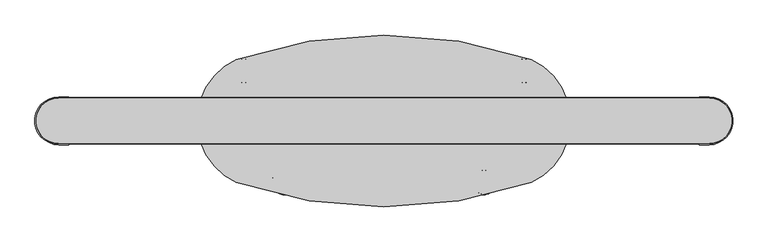
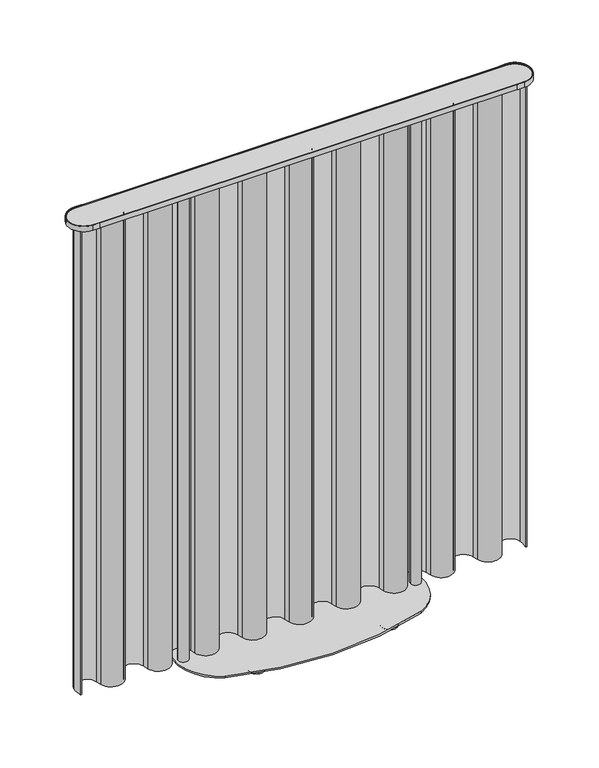
"""IFC4 building model written with IfcOpenShell, lengths in millimetres: furniture geometry."""

from ifc_helpers import new_model, si_unit, point, frame, frame_2d, origin, place, context, project, spatial, polyline, circle_curve, ellipse_curve, trimmed, segment, composite_curve, outline, extrude, source, transform, mapped, element, save
from ifc_brep_helpers import plane_surface, revolved_surface, advanced_brep


def furniture_489c993e(model_context):
    return source(origin(), model_context, "Body", "SolidModel", [
        advanced_brep(
        [(223.6676041, -153.3847212, 0.0006183), (276.0344658, -153.3847212, 0.0006183), (249.851035, -153.3847212, 0.0006183), (249.851035, -153.3847212, 6.17), (280.8142517, -153.3847212, 6.17), (218.8878183, -153.3847212, 6.17)],
        [
            (0, 1, circle_curve(frame((249.851035, -153.3847212, 0.0006183), z_axis=(0.0, 0.0, -1.0), x_axis=(1.0, 0.0, 0.0)), 26.1834309)),
            (1, 2),
            (2, 0),
            (1, 0, circle_curve(frame((249.851035, -153.3847212, 0.0006183), z_axis=(0.0, 0.0, -1.0), x_axis=(1.0, 0.0, 0.0)), 26.1834309)),
            (3, 4),
            (4, 5, circle_curve(frame((249.851035, -153.3847212, 6.17), z_axis=(0.0, 0.0, 1.0), x_axis=(1.0, 0.0, 0.0)), 30.9632167)),
            (5, 3),
            (5, 4, circle_curve(frame((249.851035, -153.3847212, 6.17), z_axis=(0.0, 0.0, 1.0), x_axis=(1.0, 0.0, 0.0)), 30.9632167)),
            (4, 1, circle_curve(frame((276.0344658, -153.3847212, 4.936901), z_axis=(0.0, 1.0, 0.0), x_axis=(-1.0, 0.0, 0.0)), 4.9362826)),
            (0, 5, circle_curve(frame((223.6676041, -153.3847212, 4.936901), z_axis=(0.0, 1.0, 0.0), x_axis=(1.0, 0.0, 0.0)), 4.9362826)),
        ],
        [
            plane_surface(frame((249.851035, -153.3847212, 0.0006183), z_axis=(0.0, 0.0, -1.0), x_axis=(1.0, 0.0, 0.0))),
            plane_surface(frame((249.851035, -153.3847212, 6.17), z_axis=(0.0, 0.0, 1.0), x_axis=(1.0, 0.0, 0.0))),
            revolved_surface(trimmed(ellipse_curve(frame((276.0344658, -153.3847212, 4.936901), z_axis=(0.0, -1.0, 0.0), x_axis=(-1.0, 0.0, 0.0)), 4.9362826, 4.9362826), [point((276.0344658, -153.3847212, 0.0006183))], [point((280.8142517, -153.3847212, 6.17))], True, "CARTESIAN"), (249.851035, -153.3847212, 6.17), (0.0, 0.0, 1.0)),
        ],
        [
            (0, [[1, 2, 3]]),
            (0, [[4, -3, -2]]),
            (1, [[5, 6, 7]]),
            (1, [[-7, 8, -5]]),
            (2, [[-6, 9, -1, 10]]),
            (2, [[-8, -10, -4, -9]]),
        ],
    ),
        advanced_brep(
        [(323.7526576, 125.2799103, 0.0006183), (376.1195193, 125.2799103, 0.0006183), (349.9360884, 125.2799103, 0.0006183), (349.9360884, 125.2799103, 6.17), (380.8993051, 125.2799103, 6.17), (318.9728717, 125.2799103, 6.17)],
        [
            (0, 1, circle_curve(frame((349.9360884, 125.2799103, 0.0006183), z_axis=(0.0, 0.0, -1.0), x_axis=(1.0, 0.0, 0.0)), 26.1834309)),
            (1, 2),
            (2, 0),
            (1, 0, circle_curve(frame((349.9360884, 125.2799103, 0.0006183), z_axis=(0.0, 0.0, -1.0), x_axis=(1.0, 0.0, 0.0)), 26.1834309)),
            (3, 4),
            (4, 5, circle_curve(frame((349.9360884, 125.2799103, 6.17), z_axis=(0.0, 0.0, 1.0), x_axis=(1.0, 0.0, 0.0)), 30.9632167)),
            (5, 3),
            (5, 4, circle_curve(frame((349.9360884, 125.2799103, 6.17), z_axis=(0.0, 0.0, 1.0), x_axis=(1.0, 0.0, 0.0)), 30.9632167)),
            (4, 1, circle_curve(frame((376.1195193, 125.2799103, 4.936901), z_axis=(0.0, 1.0, 0.0), x_axis=(-1.0, 0.0, 0.0)), 4.9362826)),
            (0, 5, circle_curve(frame((323.7526576, 125.2799103, 4.936901), z_axis=(0.0, 1.0, 0.0), x_axis=(1.0, 0.0, 0.0)), 4.9362826)),
        ],
        [
            plane_surface(frame((349.9360884, 125.2799103, 0.0006183), z_axis=(0.0, 0.0, -1.0), x_axis=(1.0, 0.0, 0.0))),
            plane_surface(frame((349.9360884, 125.2799103, 6.17), z_axis=(0.0, 0.0, 1.0), x_axis=(1.0, 0.0, 0.0))),
            revolved_surface(trimmed(ellipse_curve(frame((376.1195193, 125.2799103, 4.936901), z_axis=(0.0, -1.0, 0.0), x_axis=(-1.0, 0.0, 0.0)), 4.9362826, 4.9362826), [point((376.1195193, 125.2799103, 0.0006183))], [point((380.8993051, 125.2799103, 6.17))], True, "CARTESIAN"), (349.9360884, 125.2799103, 6.17), (0.0, 0.0, 1.0)),
        ],
        [
            (0, [[1, 2, 3]]),
            (0, [[4, -3, -2]]),
            (1, [[5, 6, 7]]),
            (1, [[-7, 8, -5]]),
            (2, [[-6, 9, -1, 10]]),
            (2, [[-8, -10, -4, -9]]),
        ],
    ),
        advanced_brep(
        [(-249.851035, -153.3847212, 0.0006183), (-276.0344658, -153.3847212, 0.0006183), (-223.6676041, -153.3847212, 0.0006183), (-218.8878183, -153.3847212, 6.17), (-280.8142517, -153.3847212, 6.17), (-249.851035, -153.3847212, 6.17)],
        [
            (0, 1),
            (1, 2, circle_curve(frame((-249.851035, -153.3847212, 0.0006183), z_axis=(0.0, 0.0, -1.0), x_axis=(-1.0, 0.0, 0.0)), 26.1834309)),
            (2, 0),
            (2, 1, circle_curve(frame((-249.851035, -153.3847212, 0.0006183), z_axis=(0.0, 0.0, -1.0), x_axis=(-1.0, 0.0, 0.0)), 26.1834309)),
            (3, 4, circle_curve(frame((-249.851035, -153.3847212, 6.17), z_axis=(0.0, 0.0, 1.0), x_axis=(-1.0, 0.0, 0.0)), 30.9632167)),
            (4, 5),
            (5, 3),
            (4, 3, circle_curve(frame((-249.851035, -153.3847212, 6.17), z_axis=(0.0, 0.0, 1.0), x_axis=(-1.0, 0.0, 0.0)), 30.9632167)),
            (1, 4, circle_curve(frame((-276.0344658, -153.3847212, 4.936901), z_axis=(0.0, 1.0, 0.0), x_axis=(1.0, 0.0, 0.0)), 4.9362826)),
            (3, 2, circle_curve(frame((-223.6676041, -153.3847212, 4.936901), z_axis=(0.0, 1.0, 0.0), x_axis=(-1.0, 0.0, 0.0)), 4.9362826)),
        ],
        [
            plane_surface(frame((-249.851035, -153.3847212, 0.0006183), z_axis=(0.0, 0.0, -1.0), x_axis=(-1.0, 0.0, 0.0))),
            plane_surface(frame((-249.851035, -153.3847212, 6.17), z_axis=(0.0, 0.0, 1.0), x_axis=(-1.0, 0.0, 0.0))),
            revolved_surface(trimmed(ellipse_curve(frame((-276.0344658, -153.3847212, 4.936901), z_axis=(0.0, -1.0, 0.0), x_axis=(1.0, 0.0, 0.0)), 4.9362826, 4.9362826), [point((-280.8142517, -153.3847212, 6.17))], [point((-276.0344658, -153.3847212, 0.0006183))], True, "CARTESIAN"), (-249.851035, -153.3847212, 6.17), (0.0, 0.0, -1.0)),
        ],
        [
            (0, [[1, 2, 3]]),
            (0, [[-3, 4, -1]]),
            (1, [[5, 6, 7]]),
            (1, [[8, -7, -6]]),
            (2, [[-2, 9, -5, 10]]),
            (2, [[-4, -10, -8, -9]]),
        ],
    ),
        advanced_brep(
        [(-349.9360884, 125.2799103, 0.0006183), (-376.1195193, 125.2799103, 0.0006183), (-323.7526576, 125.2799103, 0.0006183), (-318.9728717, 125.2799103, 6.17), (-380.8993051, 125.2799103, 6.17), (-349.9360884, 125.2799103, 6.17)],
        [
            (0, 1),
            (1, 2, circle_curve(frame((-349.9360884, 125.2799103, 0.0006183), z_axis=(0.0, 0.0, -1.0), x_axis=(-1.0, 0.0, 0.0)), 26.1834309)),
            (2, 0),
            (2, 1, circle_curve(frame((-349.9360884, 125.2799103, 0.0006183), z_axis=(0.0, 0.0, -1.0), x_axis=(-1.0, 0.0, 0.0)), 26.1834309)),
            (3, 4, circle_curve(frame((-349.9360884, 125.2799103, 6.17), z_axis=(0.0, 0.0, 1.0), x_axis=(-1.0, 0.0, 0.0)), 30.9632167)),
            (4, 5),
            (5, 3),
            (4, 3, circle_curve(frame((-349.9360884, 125.2799103, 6.17), z_axis=(0.0, 0.0, 1.0), x_axis=(-1.0, 0.0, 0.0)), 30.9632167)),
            (1, 4, circle_curve(frame((-376.1195193, 125.2799103, 4.936901), z_axis=(0.0, 1.0, 0.0), x_axis=(1.0, 0.0, 0.0)), 4.9362826)),
            (3, 2, circle_curve(frame((-323.7526576, 125.2799103, 4.936901), z_axis=(0.0, 1.0, 0.0), x_axis=(-1.0, 0.0, 0.0)), 4.9362826)),
        ],
        [
            plane_surface(frame((-349.9360884, 125.2799103, 0.0006183), z_axis=(0.0, 0.0, -1.0), x_axis=(-1.0, 0.0, 0.0))),
            plane_surface(frame((-349.9360884, 125.2799103, 6.17), z_axis=(0.0, 0.0, 1.0), x_axis=(-1.0, 0.0, 0.0))),
            revolved_surface(trimmed(ellipse_curve(frame((-376.1195193, 125.2799103, 4.936901), z_axis=(0.0, -1.0, 0.0), x_axis=(1.0, 0.0, 0.0)), 4.9362826, 4.9362826), [point((-380.8993051, 125.2799103, 6.17))], [point((-376.1195193, 125.2799103, 0.0006183))], True, "CARTESIAN"), (-349.9360884, 125.2799103, 6.17), (0.0, 0.0, -1.0)),
        ],
        [
            (0, [[1, 2, 3]]),
            (0, [[-3, 4, -1]]),
            (1, [[5, 6, 7]]),
            (1, [[8, -7, -6]]),
            (2, [[-2, 9, -5, 10]]),
            (2, [[-4, -10, -8, -9]]),
        ],
    ),
        extrude(outline(composite_curve([segment(trimmed(circle_curve(frame_2d((-811.5301214, 0.0)), 58.2700001), [point((-811.5301214, 58.2700001))], [point((-811.5301214, -58.2700001))], True, "CARTESIAN"), True, "CONTINUOUS"), segment(polyline([(-811.5301214, -58.2700001), (-786.5000307, -58.2700001), (-786.5000307, -59.9999986), (-811.5863946, -59.9999986)]), True, "CONTINUOUS"), segment(trimmed(circle_curve(frame_2d((-811.5863946, 0.0)), 59.9999986), [point((-811.5863946, -59.9999986))], [point((-811.5863946, 59.9999986))], False, "CARTESIAN"), True, "CONTINUOUS"), segment(polyline([(-811.5863946, 59.9999986), (-786.5000307, 59.9999986), (-786.5000307, 58.2700001), (-811.5301214, 58.2700001)]), True, "CONTINUOUS")], self_intersect=False)), frame((0.0, 0.0, 1883.9999737), z_axis=(0.0, 0.0, 1.0), x_axis=(1.0, 0.0, 0.0)), (0.0, 0.0, 1.0), 21.0000263),
        extrude(outline(composite_curve([segment(polyline([(811.5301214, 58.2700001), (786.5000307, 58.2700001), (786.5000307, 59.9999986), (811.5863946, 59.9999986)]), True, "CONTINUOUS"), segment(trimmed(circle_curve(frame_2d((811.5863946, 0.0)), 59.9999986), [point((811.5863946, 59.9999986))], [point((811.5863946, -59.9999986))], False, "CARTESIAN"), True, "CONTINUOUS"), segment(polyline([(811.5863946, -59.9999986), (786.5000307, -59.9999986), (786.5000307, -58.2700001), (811.5301214, -58.2700001)]), True, "CONTINUOUS"), segment(trimmed(circle_curve(frame_2d((811.5301214, 0.0)), 58.2700001), [point((811.5301214, -58.2700001))], [point((811.5301214, 58.2700001))], True, "CARTESIAN"), True, "CONTINUOUS")], self_intersect=False)), frame((0.0, 0.0, 1883.9999737), z_axis=(0.0, 0.0, 1.0), x_axis=(1.0, 0.0, 0.0)), (0.0, 0.0, 1.0), 21.0000263),
        extrude(outline(composite_curve([segment(trimmed(circle_curve(frame_2d((811.5301214, 0.0)), 58.2700001), [point((811.5301214, 58.2700001))], [point((811.5301214, -58.2700001))], False, "CARTESIAN"), True, "CONTINUOUS"), segment(polyline([(811.5301214, -58.2700001), (-811.5301214, -58.2700001)]), True, "CONTINUOUS"), segment(trimmed(circle_curve(frame_2d((-811.5301214, 0.0)), 58.2700001), [point((-811.5301214, -58.2700001))], [point((-811.5301214, 58.2700001))], False, "CARTESIAN"), True, "CONTINUOUS"), segment(polyline([(-811.5301214, 58.2700001), (811.5301214, 58.2700001)]), True, "CONTINUOUS")], self_intersect=False), holes=[composite_curve([segment(trimmed(circle_curve(frame_2d((-811.5301214, 0.0)), 57.0000001), [point((-811.5301214, 57.0000001))], [point((-811.5301214, -57.0000001))], True, "CARTESIAN"), True, "CONTINUOUS"), segment(polyline([(-811.5301214, -57.0000001), (811.5301214, -57.0000001)]), True, "CONTINUOUS"), segment(trimmed(circle_curve(frame_2d((811.5301214, 0.0)), 57.0000001), [point((811.5301214, -57.0000001))], [point((811.5301214, 57.0000001))], True, "CARTESIAN"), True, "CONTINUOUS"), segment(polyline([(811.5301214, 57.0000001), (-811.5301214, 57.0000001)]), True, "CONTINUOUS")], self_intersect=False)]), frame((0.0, 0.0, 1883.9999737), z_axis=(0.0, 0.0, 1.0), x_axis=(1.0, 0.0, 0.0)), (0.0, 0.0, 1.0), 20.0199989),
        extrude(outline(composite_curve([segment(trimmed(circle_curve(frame_2d((-436.9991265, 0.095054)), 19.05), [point((-456.0491265, 0.095054))], [point((-417.9491265, 0.095054))], False, "CARTESIAN"), True, "CONTINUOUS"), segment(trimmed(circle_curve(frame_2d((-436.9991265, 0.095054)), 19.05), [point((-417.9491265, 0.095054))], [point((-456.0491265, 0.095054))], False, "CARTESIAN"), True, "CONTINUOUS")], self_intersect=False)), frame((0.0, 0.0, 12.5200002), z_axis=(0.0, 0.0, 1.0), x_axis=(1.0, 0.0, 0.0)), (0.0, 0.0, 1.0), 1871.4799734),
        extrude(outline(composite_curve([segment(trimmed(circle_curve(frame_2d((436.9991265, 0.095054)), 19.05), [point((456.0491265, 0.095054))], [point((417.9491265, 0.095054))], False, "CARTESIAN"), True, "CONTINUOUS"), segment(trimmed(circle_curve(frame_2d((436.9991265, 0.095054)), 19.05), [point((417.9491265, 0.095054))], [point((456.0491265, 0.095054))], False, "CARTESIAN"), True, "CONTINUOUS")], self_intersect=False)), frame((0.0, 0.0, 12.5200002), z_axis=(0.0, 0.0, 1.0), x_axis=(1.0, 0.0, 0.0)), (0.0, 0.0, 1.0), 1871.4799734),
        extrude(outline(composite_curve([segment(trimmed(circle_curve(frame_2d((811.5301214, 0.0)), 57.0000001), [point((811.5301214, 57.0000001))], [point((811.5301214, -57.0000001))], False, "CARTESIAN"), True, "CONTINUOUS"), segment(polyline([(811.5301214, -57.0000001), (-811.5301214, -57.0000001)]), True, "CONTINUOUS"), segment(trimmed(circle_curve(frame_2d((-811.5301214, 0.0)), 57.0000001), [point((-811.5301214, -57.0000001))], [point((-811.5301214, 57.0000001))], False, "CARTESIAN"), True, "CONTINUOUS"), segment(polyline([(-811.5301214, 57.0000001), (811.5301214, 57.0000001)]), True, "CONTINUOUS")], self_intersect=False)), frame((0.0, 0.0, 1883.9999737), z_axis=(0.0, 0.0, 1.0), x_axis=(1.0, 0.0, 0.0)), (0.0, 0.0, 1.0), 17.0200367),
        extrude(outline(composite_curve([segment(trimmed(circle_curve(frame_2d((296.8203978, -0.1927223)), 169.2621942), [point((368.1176468, 153.3207711))], [point((368.1176468, -153.7062157))], False, "CARTESIAN"), True, "CONTINUOUS"), segment(trimmed(circle_curve(frame_2d((0.0, 924.7854757)), 1139.5854203), [point((368.1176468, -153.7062157))], [point((-368.1176468, -153.7062157))], False, "CARTESIAN"), True, "CONTINUOUS"), segment(trimmed(circle_curve(frame_2d((-297.623049, -0.1927223)), 168.925667), [point((-368.1176468, -153.7062157))], [point((-368.1176468, 153.3207711))], False, "CARTESIAN"), True, "CONTINUOUS"), segment(trimmed(circle_curve(frame_2d((0.0, -914.350215)), 1129.3502275), [point((-368.1176468, 153.3207711))], [point((368.1176468, 153.3207711))], False, "CARTESIAN"), True, "CONTINUOUS")], self_intersect=False)), frame((0.0, 0.0, 6.17), z_axis=(0.0, 0.0, 1.0), x_axis=(1.0, 0.0, 0.0)), (0.0, 0.0, 1.0), 6.3500002),
        extrude(outline(composite_curve([segment(trimmed(circle_curve(frame_2d((212.9341155, -195.2246283)), 901.8973982), [point((-669.5260037, -8.990757))], [point((-664.7559368, 12.330398))], False, "CARTESIAN"), True, "CONTINUOUS"), segment(trimmed(circle_curve(frame_2d((-620.8012841, 2.4966608)), 45.0412464), [point((-664.7559368, 12.330398))], [point((-576.6595688, 11.4533817))], False, "CARTESIAN"), True, "CONTINUOUS"), segment(trimmed(circle_curve(frame_2d((-850.7941241, -67.922292)), 285.3949053), [point((-576.6595688, 11.4533817))], [point((-571.5499189, -8.990757))], False, "CARTESIAN"), True, "CONTINUOUS"), segment(trimmed(circle_curve(frame_2d((-531.8979839, -0.6226356)), 40.525318), [point((-571.5499189, -8.990757))], [point((-492.2460489, -8.990757))], True, "CARTESIAN"), True, "CONTINUOUS"), segment(trimmed(circle_curve(frame_2d((390.2140703, -195.2246283)), 901.8973982), [point((-492.2460489, -8.990757))], [point((-487.475982, 12.330398))], False, "CARTESIAN"), True, "CONTINUOUS"), segment(trimmed(circle_curve(frame_2d((-443.5213293, 2.4966608)), 45.0412464), [point((-487.475982, 12.330398))], [point((-399.3796141, 11.4533817))], False, "CARTESIAN"), True, "CONTINUOUS"), segment(trimmed(circle_curve(frame_2d((-673.5141693, -67.922292)), 285.3949053), [point((-399.3796141, 11.4533817))], [point((-394.2699641, -8.990757))], False, "CARTESIAN"), True, "CONTINUOUS"), segment(trimmed(circle_curve(frame_2d((-354.6180291, -0.6226356)), 40.525318), [point((-394.2699641, -8.990757))], [point((-314.9660941, -8.990757))], True, "CARTESIAN"), True, "CONTINUOUS"), segment(trimmed(circle_curve(frame_2d((567.4940251, -195.2246283)), 901.8973982), [point((-314.9660941, -8.990757))], [point((-310.1960272, 12.330398))], False, "CARTESIAN"), True, "CONTINUOUS"), segment(trimmed(circle_curve(frame_2d((-266.2413746, 2.4966608)), 45.0412464), [point((-310.1960272, 12.330398))], [point((-222.0996593, 11.4533817))], False, "CARTESIAN"), True, "CONTINUOUS"), segment(trimmed(circle_curve(frame_2d((-496.2342145, -67.922292)), 285.3949053), [point((-222.0996593, 11.4533817))], [point((-216.9900093, -8.990757))], False, "CARTESIAN"), True, "CONTINUOUS"), segment(trimmed(circle_curve(frame_2d((-177.3380743, -0.6226356)), 40.525318), [point((-216.9900093, -8.990757))], [point((-137.6861394, -8.990757))], True, "CARTESIAN"), True, "CONTINUOUS"), segment(trimmed(circle_curve(frame_2d((744.7739798, -195.2246283)), 901.8973982), [point((-137.6861394, -8.990757))], [point((-132.9160725, 12.330398))], False, "CARTESIAN"), True, "CONTINUOUS"), segment(trimmed(circle_curve(frame_2d((-88.9614198, 2.4966608)), 45.0412464), [point((-132.9160725, 12.330398))], [point((-44.8197045, 11.4533817))], False, "CARTESIAN"), True, "CONTINUOUS"), segment(trimmed(circle_curve(frame_2d((-318.9542597, -67.922292)), 285.3949053), [point((-44.8197045, 11.4533817))], [point((-39.7100546, -8.990757))], False, "CARTESIAN"), True, "CONTINUOUS"), segment(trimmed(circle_curve(frame_2d((-0.0581196, -0.6226356)), 40.525318), [point((-39.7100546, -8.990757))], [point((39.5938154, -8.990757))], True, "CARTESIAN"), True, "CONTINUOUS"), segment(trimmed(circle_curve(frame_2d((922.0539346, -195.2246283)), 901.8973982), [point((39.5938154, -8.990757))], [point((44.3638823, 12.330398))], False, "CARTESIAN"), True, "CONTINUOUS"), segment(trimmed(circle_curve(frame_2d((88.318535, 2.4966608)), 45.0412464), [point((44.3638823, 12.330398))], [point((132.4602503, 11.4533817))], False, "CARTESIAN"), True, "CONTINUOUS"), segment(trimmed(circle_curve(frame_2d((-141.674305, -67.922292)), 285.3949053), [point((132.4602503, 11.4533817))], [point((137.5699002, -8.990757))], False, "CARTESIAN"), True, "CONTINUOUS"), segment(trimmed(circle_curve(frame_2d((177.2218352, -0.6226356)), 40.525318), [point((137.5699002, -8.990757))], [point((216.8737702, -8.990757))], True, "CARTESIAN"), True, "CONTINUOUS"), segment(trimmed(circle_curve(frame_2d((1099.3338894, -195.2246283)), 901.8973982), [point((216.8737702, -8.990757))], [point((221.6438371, 12.330398))], False, "CARTESIAN"), True, "CONTINUOUS"), segment(trimmed(circle_curve(frame_2d((265.5984898, 2.4966608)), 45.0412464), [point((221.6438371, 12.330398))], [point((309.740205, 11.4533817))], False, "CARTESIAN"), True, "CONTINUOUS"), segment(trimmed(circle_curve(frame_2d((35.6056498, -67.922292)), 285.3949053), [point((309.740205, 11.4533817))], [point((314.849855, -8.990757))], False, "CARTESIAN"), True, "CONTINUOUS"), segment(trimmed(circle_curve(frame_2d((354.50179, -0.6226356)), 40.525318), [point((314.849855, -8.990757))], [point((394.153725, -8.990757))], True, "CARTESIAN"), True, "CONTINUOUS"), segment(trimmed(circle_curve(frame_2d((1276.6138442, -195.2246283)), 901.8973982), [point((394.153725, -8.990757))], [point((398.9237919, 12.330398))], False, "CARTESIAN"), True, "CONTINUOUS"), segment(trimmed(circle_curve(frame_2d((442.8784445, 2.4966608)), 45.0412464), [point((398.9237919, 12.330398))], [point((487.0201598, 11.4533817))], False, "CARTESIAN"), True, "CONTINUOUS"), segment(trimmed(circle_curve(frame_2d((212.8856046, -67.922292)), 285.3949053), [point((487.0201598, 11.4533817))], [point((492.1298098, -8.990757))], False, "CARTESIAN"), True, "CONTINUOUS"), segment(trimmed(circle_curve(frame_2d((531.7817448, -0.6226356)), 40.525318), [point((492.1298098, -8.990757))], [point((571.4336797, -8.990757))], True, "CARTESIAN"), True, "CONTINUOUS"), segment(trimmed(circle_curve(frame_2d((1453.893799, -195.2246283)), 901.8973982), [point((571.4336797, -8.990757))], [point((576.2037467, 12.330398))], False, "CARTESIAN"), True, "CONTINUOUS"), segment(trimmed(circle_curve(frame_2d((620.1583993, 2.4966608)), 45.0412464), [point((576.2037467, 12.330398))], [point((664.3001146, 11.4533817))], False, "CARTESIAN"), True, "CONTINUOUS"), segment(trimmed(circle_curve(frame_2d((390.1655594, -67.922292)), 285.3949053), [point((664.3001146, 11.4533817))], [point((669.4097646, -8.990757))], False, "CARTESIAN"), True, "CONTINUOUS"), segment(trimmed(circle_curve(frame_2d((709.0616995, -0.6226356)), 40.525318), [point((669.4097646, -8.990757))], [point((748.7136345, -8.990757))], True, "CARTESIAN"), True, "CONTINUOUS"), segment(trimmed(circle_curve(frame_2d((1631.1737537, -195.2246283)), 901.8973982), [point((748.7136345, -8.990757))], [point((753.4837014, 12.330398))], False, "CARTESIAN"), True, "CONTINUOUS"), segment(trimmed(circle_curve(frame_2d((797.4383541, 2.4966608)), 45.0412464), [point((753.4837014, 12.330398))], [point((841.5800694, 11.4533817))], False, "CARTESIAN"), True, "CONTINUOUS"), segment(trimmed(circle_curve(frame_2d((757.7969094, -5.5469179)), 85.4905146), [point((841.5800694, 11.4533817))], [point((840.7613989, -26.175092))], False, "CARTESIAN"), True, "CONTINUOUS"), segment(trimmed(circle_curve(frame_2d((838.2964494, -25.5622104)), 2.54), [point((840.7613989, -26.175092))], [point((835.8314998, -24.9493288))], False, "CARTESIAN"), True, "CONTINUOUS"), segment(trimmed(circle_curve(frame_2d((757.7969094, -5.5469179)), 80.4105146), [point((835.8314998, -24.9493288))], [point((836.6015235, 10.4431934))], True, "CARTESIAN"), True, "CONTINUOUS"), segment(trimmed(circle_curve(frame_2d((797.4383541, 2.4966608)), 39.9612464), [point((836.6015235, 10.4431934))], [point((758.4346345, 11.1921237))], True, "CARTESIAN"), True, "CONTINUOUS"), segment(trimmed(circle_curve(frame_2d((1631.1737537, -195.2246283)), 896.8173982), [point((758.4346345, 11.1921237))], [point((753.6841527, -10.0397322))], True, "CARTESIAN"), True, "CONTINUOUS"), segment(trimmed(circle_curve(frame_2d((709.0616995, -0.6226356)), 45.605318), [point((753.6841527, -10.0397322))], [point((664.4392464, -10.0397322))], False, "CARTESIAN"), True, "CONTINUOUS"), segment(trimmed(circle_curve(frame_2d((390.1655594, -67.922292)), 280.3149053), [point((664.4392464, -10.0397322))], [point((659.3612852, 10.2448835))], True, "CARTESIAN"), True, "CONTINUOUS"), segment(trimmed(circle_curve(frame_2d((620.1583993, 2.4966608)), 39.9612464), [point((659.3612852, 10.2448835))], [point((581.1546798, 11.1921237))], True, "CARTESIAN"), True, "CONTINUOUS"), segment(trimmed(circle_curve(frame_2d((1453.893799, -195.2246283)), 896.8173982), [point((581.1546798, 11.1921237))], [point((576.4041979, -10.0397322))], True, "CARTESIAN"), True, "CONTINUOUS"), segment(trimmed(circle_curve(frame_2d((531.7817448, -0.6226356)), 45.605318), [point((576.4041979, -10.0397322))], [point((487.1592916, -10.0397322))], False, "CARTESIAN"), True, "CONTINUOUS"), segment(trimmed(circle_curve(frame_2d((212.8856046, -67.922292)), 280.3149053), [point((487.1592916, -10.0397322))], [point((482.0813304, 10.2448835))], True, "CARTESIAN"), True, "CONTINUOUS"), segment(trimmed(circle_curve(frame_2d((442.8784445, 2.4966608)), 39.9612464), [point((482.0813304, 10.2448835))], [point((403.874725, 11.1921237))], True, "CARTESIAN"), True, "CONTINUOUS"), segment(trimmed(circle_curve(frame_2d((1276.6138442, -195.2246283)), 896.8173982), [point((403.874725, 11.1921237))], [point((399.1242431, -10.0397322))], True, "CARTESIAN"), True, "CONTINUOUS"), segment(trimmed(circle_curve(frame_2d((354.50179, -0.6226356)), 45.605318), [point((399.1242431, -10.0397322))], [point((309.8793368, -10.0397322))], False, "CARTESIAN"), True, "CONTINUOUS"), segment(trimmed(circle_curve(frame_2d((35.6056498, -67.922292)), 280.3149053), [point((309.8793368, -10.0397322))], [point((304.8013756, 10.2448835))], True, "CARTESIAN"), True, "CONTINUOUS"), segment(trimmed(circle_curve(frame_2d((265.5984898, 2.4966608)), 39.9612464), [point((304.8013756, 10.2448835))], [point((226.5947702, 11.1921237))], True, "CARTESIAN"), True, "CONTINUOUS"), segment(trimmed(circle_curve(frame_2d((1099.3338894, -195.2246283)), 896.8173982), [point((226.5947702, 11.1921237))], [point((221.8442884, -10.0397322))], True, "CARTESIAN"), True, "CONTINUOUS"), segment(trimmed(circle_curve(frame_2d((177.2218352, -0.6226356)), 45.605318), [point((221.8442884, -10.0397322))], [point((132.5993821, -10.0397322))], False, "CARTESIAN"), True, "CONTINUOUS"), segment(trimmed(circle_curve(frame_2d((-141.674305, -67.922292)), 280.3149053), [point((132.5993821, -10.0397322))], [point((127.5214209, 10.2448835))], True, "CARTESIAN"), True, "CONTINUOUS"), segment(trimmed(circle_curve(frame_2d((88.318535, 2.4966608)), 39.9612464), [point((127.5214209, 10.2448835))], [point((49.3148154, 11.1921237))], True, "CARTESIAN"), True, "CONTINUOUS"), segment(trimmed(circle_curve(frame_2d((922.0539346, -195.2246283)), 896.8173982), [point((49.3148154, 11.1921237))], [point((44.5643336, -10.0397322))], True, "CARTESIAN"), True, "CONTINUOUS"), segment(trimmed(circle_curve(frame_2d((-0.0581196, -0.6226356)), 45.605318), [point((44.5643336, -10.0397322))], [point((-44.6805727, -10.0397322))], False, "CARTESIAN"), True, "CONTINUOUS"), segment(trimmed(circle_curve(frame_2d((-318.9542597, -67.922292)), 280.3149053), [point((-44.6805727, -10.0397322))], [point((-49.7585339, 10.2448835))], True, "CARTESIAN"), True, "CONTINUOUS"), segment(trimmed(circle_curve(frame_2d((-88.9614198, 2.4966608)), 39.9612464), [point((-49.7585339, 10.2448835))], [point((-127.9651393, 11.1921237))], True, "CARTESIAN"), True, "CONTINUOUS"), segment(trimmed(circle_curve(frame_2d((744.7739798, -195.2246283)), 896.8173982), [point((-127.9651393, 11.1921237))], [point((-132.7156212, -10.0397322))], True, "CARTESIAN"), True, "CONTINUOUS"), segment(trimmed(circle_curve(frame_2d((-177.3380743, -0.6226356)), 45.605318), [point((-132.7156212, -10.0397322))], [point((-221.9605275, -10.0397322))], False, "CARTESIAN"), True, "CONTINUOUS"), segment(trimmed(circle_curve(frame_2d((-496.2342145, -67.922292)), 280.3149053), [point((-221.9605275, -10.0397322))], [point((-227.0384887, 10.2448835))], True, "CARTESIAN"), True, "CONTINUOUS"), segment(trimmed(circle_curve(frame_2d((-266.2413746, 2.4966608)), 39.9612464), [point((-227.0384887, 10.2448835))], [point((-305.2450941, 11.1921237))], True, "CARTESIAN"), True, "CONTINUOUS"), segment(trimmed(circle_curve(frame_2d((567.4940251, -195.2246283)), 896.8173982), [point((-305.2450941, 11.1921237))], [point((-309.995576, -10.0397322))], True, "CARTESIAN"), True, "CONTINUOUS"), segment(trimmed(circle_curve(frame_2d((-354.6180291, -0.6226356)), 45.605318), [point((-309.995576, -10.0397322))], [point((-399.2404823, -10.0397322))], False, "CARTESIAN"), True, "CONTINUOUS"), segment(trimmed(circle_curve(frame_2d((-673.5141693, -67.922292)), 280.3149053), [point((-399.2404823, -10.0397322))], [point((-404.3184435, 10.2448835))], True, "CARTESIAN"), True, "CONTINUOUS"), segment(trimmed(circle_curve(frame_2d((-443.5213293, 2.4966608)), 39.9612464), [point((-404.3184435, 10.2448835))], [point((-482.5250489, 11.1921237))], True, "CARTESIAN"), True, "CONTINUOUS"), segment(trimmed(circle_curve(frame_2d((390.2140703, -195.2246283)), 896.8173982), [point((-482.5250489, 11.1921237))], [point((-487.2755308, -10.0397322))], True, "CARTESIAN"), True, "CONTINUOUS"), segment(trimmed(circle_curve(frame_2d((-531.8979839, -0.6226356)), 45.605318), [point((-487.2755308, -10.0397322))], [point((-576.5204371, -10.0397322))], False, "CARTESIAN"), True, "CONTINUOUS"), segment(trimmed(circle_curve(frame_2d((-850.7941241, -67.922292)), 280.3149053), [point((-576.5204371, -10.0397322))], [point((-581.5983983, 10.2448835))], True, "CARTESIAN"), True, "CONTINUOUS"), segment(trimmed(circle_curve(frame_2d((-620.8012841, 2.4966608)), 39.9612464), [point((-581.5983983, 10.2448835))], [point((-659.8050037, 11.1921237))], True, "CARTESIAN"), True, "CONTINUOUS"), segment(trimmed(circle_curve(frame_2d((212.9341155, -195.2246283)), 896.8173982), [point((-659.8050037, 11.1921237))], [point((-664.5554855, -10.0397322))], True, "CARTESIAN"), True, "CONTINUOUS"), segment(trimmed(circle_curve(frame_2d((-709.1779387, -0.6226356)), 45.605318), [point((-664.5554855, -10.0397322))], [point((-753.8003918, -10.0397322))], False, "CARTESIAN"), True, "CONTINUOUS"), segment(trimmed(circle_curve(frame_2d((-1028.0740789, -67.922292)), 280.3149053), [point((-753.8003918, -10.0397322))], [point((-758.878353, 10.2448835))], True, "CARTESIAN"), True, "CONTINUOUS"), segment(trimmed(circle_curve(frame_2d((-798.0812389, 2.4966608)), 39.9612464), [point((-758.878353, 10.2448835))], [point((-837.0784436, 11.2212949))], True, "CARTESIAN"), True, "CONTINUOUS"), segment(trimmed(circle_curve(frame_2d((-767.1882663, -4.4148572)), 71.6179177), [point((-837.0784436, 11.2212949))], [point((-835.5745958, -25.6854019))], True, "CARTESIAN"), True, "CONTINUOUS"), segment(trimmed(circle_curve(frame_2d((-837.9999843, -26.4397828)), 2.54), [point((-835.5745958, -25.6854019))], [point((-840.4253729, -27.1941636))], False, "CARTESIAN"), True, "CONTINUOUS"), segment(trimmed(circle_curve(frame_2d((-767.1882663, -4.4148572)), 76.6979177), [point((-840.4253729, -27.1941636))], [point((-842.0358916, 12.330398))], False, "CARTESIAN"), True, "CONTINUOUS"), segment(trimmed(circle_curve(frame_2d((-798.0812389, 2.4966608)), 45.0412464), [point((-842.0358916, 12.330398))], [point((-753.9395236, 11.4533817))], False, "CARTESIAN"), True, "CONTINUOUS"), segment(trimmed(circle_curve(frame_2d((-1028.0740789, -67.922292)), 285.3949053), [point((-753.9395236, 11.4533817))], [point((-748.8298737, -8.990757))], False, "CARTESIAN"), True, "CONTINUOUS"), segment(trimmed(circle_curve(frame_2d((-709.1779387, -0.6226356)), 40.525318), [point((-748.8298737, -8.990757))], [point((-669.5260037, -8.990757))], True, "CARTESIAN"), True, "CONTINUOUS")], self_intersect=False)), frame((0.0, 0.0, 29.0094007), z_axis=(0.0, 0.0, 1.0), x_axis=(1.0, 0.0, 0.0)), (0.0, 0.0, 1.0), 1854.990573),
    ])


if __name__ == "__main__":
    model = new_model("IFC4")
    model_context = context("Model", 3, world=origin())
    ifc_project = project(units=[si_unit("LENGTHUNIT", "METRE", prefix="MILLI")], contexts=[model_context])
    site = spatial("IfcSite", under=ifc_project)
    building = spatial("IfcBuilding", under=site)
    placement = place(None, origin())
    furniture_shape = furniture_489c993e(model_context)
    element("IfcFurniture", 1, at=placement, inside=building, context=model_context, shape_type="MappedRepresentation", body=[
        mapped(furniture_shape, transform((0.0, 0.0, 0.0), x_axis=(1.0, 0.0, 0.0), y_axis=(0.0, 1.0, 0.0), z_axis=(0.0, 0.0, 1.0))),
    ])
    save(model, "model.ifc")
